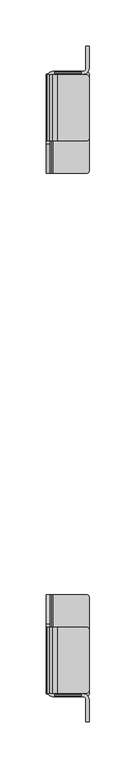
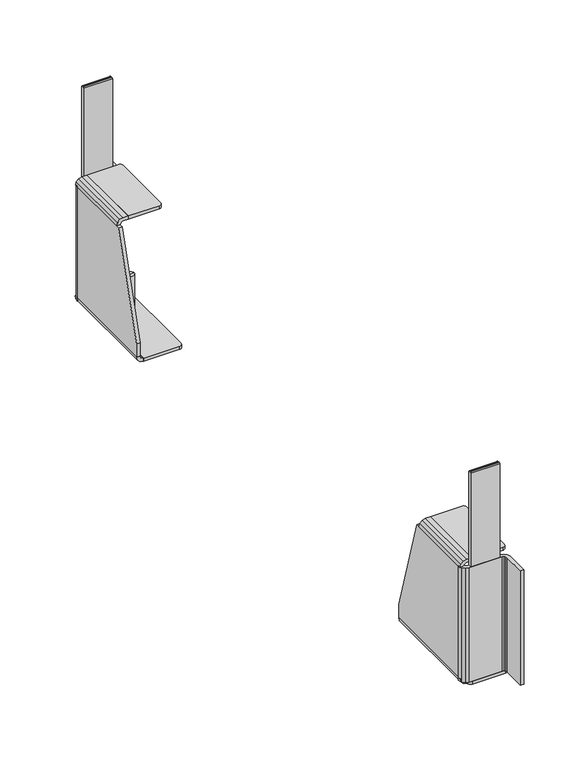
"""IFC4 building model written with IfcOpenShell, lengths in millimetres: furniture geometry."""

from ifc_helpers import new_model, si_unit, point, frame, frame_2d, origin, place, context, project, spatial, polyline, circle_curve, trimmed, segment, composite_curve, outline, extrude, source, transform, mapped, element, save
from ifc_brep_helpers import plane_surface, cylinder_surface, revolved_surface, advanced_brep


def furniture_0abc49c4(model_context):
    return source(origin(), model_context, "Body", "SolidModel", [
        advanced_brep(
        [(-12.9410863, 662.5415583, 7.8739999), (-12.9410863, 662.5415583, 60.1980016), (-20.9420877, 662.5415583, 60.1980016), (-20.9420877, 662.5415583, 7.8739999), (-4.241581, 662.5415583, 7.8739999), (-29.6415931, 662.5415583, 7.8739999), (-4.241581, 662.5415583, 2.6834552), (-29.6415931, 662.5415583, 2.6834552), (-16.941587, 662.5415583, 0.0), (-16.941587, 662.5415583, 60.1980016)],
        [
            (0, 1),
            (1, 2, circle_curve(frame((-16.941587, 662.5415583, 60.1980016), z_axis=(0.0, 0.0, -1.0), x_axis=(-1.0, 0.0, 0.0)), 4.0005007)),
            (2, 3),
            (3, 0, circle_curve(frame((-16.941587, 662.5415583, 7.8739999), z_axis=(0.0, 0.0, 1.0), x_axis=(-1.0, 0.0, 0.0)), 4.0005007)),
            (2, 1, circle_curve(frame((-16.941587, 662.5415583, 60.1980016), z_axis=(0.0, 0.0, -1.0), x_axis=(-1.0, 0.0, 0.0)), 4.0005007)),
            (0, 3, circle_curve(frame((-16.941587, 662.5415583, 7.8739999), z_axis=(0.0, 0.0, 1.0), x_axis=(-1.0, 0.0, 0.0)), 4.0005007)),
            (4, 0),
            (3, 5),
            (5, 4, circle_curve(frame((-16.941587, 662.5415583, 7.8739999), z_axis=(0.0, 0.0, 1.0), x_axis=(-1.0, 0.0, 0.0)), 12.7000061)),
            (4, 5, circle_curve(frame((-16.941587, 662.5415583, 7.8739999), z_axis=(0.0, 0.0, 1.0), x_axis=(-1.0, 0.0, 0.0)), 12.7000061)),
            (6, 4),
            (5, 7),
            (7, 6, circle_curve(frame((-16.941587, 662.5415583, 2.6834552), z_axis=(0.0, 0.0, 1.0), x_axis=(-1.0, 0.0, 0.0)), 12.7000061)),
            (6, 7, circle_curve(frame((-16.941587, 662.5415583, 2.6834552), z_axis=(0.0, 0.0, 1.0), x_axis=(-1.0, 0.0, 0.0)), 12.7000061)),
            (8, 6),
            (7, 8),
            (1, 9),
            (9, 2),
        ],
        [
            cylinder_surface(frame((-16.941587, 662.5415583, 60.1980016), z_axis=(0.0, 0.0, -1.0), x_axis=(-1.0, 0.0, 0.0)), 4.0005007),
            plane_surface(frame((-16.941587, 662.5415583, 7.8739999), z_axis=(0.0, 0.0, 1.0), x_axis=(-1.0, 0.0, 0.0))),
            cylinder_surface(frame((-16.941587, 662.5415583, 60.1980016), z_axis=(0.0, 0.0, -1.0), x_axis=(-1.0, 0.0, 0.0)), 12.7000061),
            revolved_surface(polyline([(-29.6415931, 662.5415583, 2.6834552), (-16.941587, 662.5415583, 0.0)]), (-16.941587, 662.5415583, 60.1980016), (0.0, 0.0, -1.0)),
            plane_surface(frame((-16.941587, 662.5415583, 60.1980016), z_axis=(0.0, 0.0, 1.0), x_axis=(-1.0, 0.0, 0.0))),
        ],
        [
            (0, [[1, 2, 3, 4]]),
            (0, [[-3, 5, -1, 6]]),
            (1, [[7, -4, 8, 9]]),
            (1, [[-8, -6, -7, 10]]),
            (2, [[11, -9, 12, 13]]),
            (2, [[-12, -10, -11, 14]]),
            (3, [[15, -13, 16]]),
            (3, [[-16, -14, -15]]),
            (4, [[17, 18, -2]]),
            (4, [[-18, -17, -5]]),
        ],
    ),
        extrude(outline(composite_curve([segment(polyline([(717.561337, 230.4538722), (717.561337, 131.8643803), (714.1453346, 131.8643803), (714.1453346, 230.4538722)]), True, "CONTINUOUS"), segment(trimmed(circle_curve(frame_2d((715.1613346, 230.4538722)), 1.016), [point((714.1453346, 230.4538722))], [point((715.1613346, 231.4698722))], False, "CARTESIAN"), True, "CONTINUOUS"), segment(polyline([(715.1613346, 231.4698722), (716.545337, 231.4698722)]), True, "CONTINUOUS"), segment(trimmed(circle_curve(frame_2d((716.545337, 230.4538722)), 1.016), [point((716.545337, 231.4698722))], [point((717.561337, 230.4538722))], False, "CARTESIAN"), True, "CONTINUOUS")], self_intersect=False)), frame((-33.2163122, 0.0, 0.0), z_axis=(1.0, 0.0, 0.0), x_axis=(0.0, 1.0, 0.0)), (0.0, 0.0, 1.0), 28.5999996),
        extrude(outline(polyline([(-41.8703125, 710.8453362), (-40.9872859, 714.2658351), (-38.5748105, 716.6783105), (-35.2793131, 717.561337), (-2.5533126, 717.561337), (-0.9658127, 717.9867062), (0.196318, 719.1488355), (0.6216873, 720.736334), (0.6216873, 744.1453362), (4.0376874, 744.1453362), (4.0376874, 720.736334), (3.1546608, 717.4408366), (0.7421873, 715.0283612), (-2.5533126, 714.1453346), (-35.2793131, 714.1453346), (-36.8668116, 713.7199654), (-38.0289431, 712.5578361), (-38.4543146, 710.8453362), (-41.8703125, 710.8453362)])), frame((0.0, 0.0, 11.1695001), z_axis=(0.0, 0.0, 1.0), x_axis=(1.0, 0.0, 0.0)), (0.0, 0.0, 1.0), 120.6948801),
        extrude(outline(polyline([(131.8643803, -38.4543146), (133.4518742, -38.0289454), (134.6140126, -36.8668093), (135.0393773, -35.2793131), (135.0393773, -30.5159002), (138.4553751, -30.5159002), (138.4553751, -35.2793131), (137.5723531, -38.5748105), (135.1598732, -40.9872859), (131.8643803, -41.8703125), (131.8643803, -38.4543146)])), frame((0.0, 642.5613319, 0.0), z_axis=(0.0, 1.0, 0.0), x_axis=(0.0, 0.0, 1.0)), (0.0, 0.0, 1.0), 71.084006),
        extrude(outline(composite_curve([segment(polyline([(-30.5159002, 642.5613319), (-30.5159002, 713.6453379), (0.8626874, 713.6453379)]), True, "CONTINUOUS"), segment(trimmed(circle_curve(frame_2d((0.8626874, 710.4703379)), 3.175), [point((0.8626874, 713.6453379))], [point((4.0376874, 710.4703379))], False, "CARTESIAN"), True, "CONTINUOUS"), segment(polyline([(4.0376874, 710.4703379), (4.0376874, 645.7363319)]), True, "CONTINUOUS"), segment(trimmed(circle_curve(frame_2d((0.8626874, 645.7363319)), 3.175), [point((4.0376874, 645.7363319))], [point((0.8626874, 642.5613319))], False, "CARTESIAN"), True, "CONTINUOUS"), segment(polyline([(0.8626874, 642.5613319), (-30.5159002, 642.5613319)]), True, "CONTINUOUS")], self_intersect=False)), frame((0.0, 0.0, 135.1598732), z_axis=(0.0, 0.0, 1.0), x_axis=(1.0, 0.0, 0.0)), (0.0, 0.0, 1.0), 3.295502),
        extrude(outline(polyline([(11.1695001, -35.2793131), (11.7153687, -36.8668116), (12.8774991, -38.0289431), (14.4649998, -38.4543146), (14.4649998, -41.8703125), (11.1695001, -40.9872859), (8.7570259, -38.5748105), (7.8739999, -35.2793131), (11.1695001, -35.2793131)])), frame((0.0, 607.5613335, 0.0), z_axis=(0.0, 1.0, 0.0), x_axis=(0.0, 0.0, 1.0)), (0.0, 0.0, 1.0), 106.8250036),
        extrude(outline(composite_curve([segment(polyline([(-35.2793131, 607.5613335), (-35.2793131, 714.386337)]), True, "CONTINUOUS"), segment(trimmed(circle_curve(frame_2d((-32.1043131, 714.386337)), 3.175), [point((-35.2793131, 714.386337))], [point((-32.1043131, 717.561337))], False, "CARTESIAN"), True, "CONTINUOUS"), segment(polyline([(-32.1043131, 717.561337), (0.8626874, 717.561337)]), True, "CONTINUOUS"), segment(trimmed(circle_curve(frame_2d((0.8626874, 714.386337)), 3.175), [point((0.8626874, 717.561337))], [point((4.0376874, 714.386337))], False, "CARTESIAN"), True, "CONTINUOUS"), segment(polyline([(4.0376874, 714.386337), (4.0376874, 610.7363335)]), True, "CONTINUOUS"), segment(trimmed(circle_curve(frame_2d((0.8626874, 610.7363335)), 3.175), [point((4.0376874, 610.7363335))], [point((0.8626874, 607.5613335))], False, "CARTESIAN"), True, "CONTINUOUS"), segment(polyline([(0.8626874, 607.5613335), (-35.2793131, 607.5613335)]), True, "CONTINUOUS")], self_intersect=False)), frame((0.0, 0.0, 7.8733776), z_axis=(0.0, 0.0, 1.0), x_axis=(1.0, 0.0, 0.0)), (0.0, 0.0, 1.0), 3.2961225),
        extrude(outline(polyline([(607.5613335, 14.4643776), (607.5613335, 28.593982), (638.9914463, 131.8643803), (710.8453362, 131.8643803), (710.9703376, 14.4643776), (607.5613335, 14.4643776)])), frame((-41.8703125, 0.0, 0.0), z_axis=(1.0, 0.0, 0.0), x_axis=(0.0, 1.0, 0.0)), (0.0, 0.0, 1.0), 3.4159979),
        advanced_brep(
        [(-12.9410863, 99.6025877, 7.8739999), (-20.9420877, 99.6025877, 7.8739999), (-20.9420877, 99.6025877, 60.1980016), (-12.9410863, 99.6025877, 60.1980016), (-4.241581, 99.6025877, 7.8739999), (-29.6415931, 99.6025877, 7.8739999), (-4.241581, 99.6025877, 2.6834552), (-29.6415931, 99.6025877, 2.6834552), (-16.941587, 99.6025877, 0.0), (-16.941587, 99.6025877, 60.1980016)],
        [
            (0, 1, circle_curve(frame((-16.941587, 99.6025877, 7.8739999), z_axis=(0.0, 0.0, 1.0), x_axis=(-1.0, 0.0, 0.0)), 4.0005007)),
            (1, 2),
            (2, 3, circle_curve(frame((-16.941587, 99.6025877, 60.1980016), z_axis=(0.0, 0.0, -1.0), x_axis=(-1.0, 0.0, 0.0)), 4.0005007)),
            (3, 0),
            (1, 0, circle_curve(frame((-16.941587, 99.6025877, 7.8739999), z_axis=(0.0, 0.0, 1.0), x_axis=(-1.0, 0.0, 0.0)), 4.0005007)),
            (3, 2, circle_curve(frame((-16.941587, 99.6025877, 60.1980016), z_axis=(0.0, 0.0, -1.0), x_axis=(-1.0, 0.0, 0.0)), 4.0005007)),
            (4, 5, circle_curve(frame((-16.941587, 99.6025877, 7.8739999), z_axis=(0.0, 0.0, 1.0), x_axis=(-1.0, 0.0, 0.0)), 12.7000061)),
            (5, 1),
            (0, 4),
            (5, 4, circle_curve(frame((-16.941587, 99.6025877, 7.8739999), z_axis=(0.0, 0.0, 1.0), x_axis=(-1.0, 0.0, 0.0)), 12.7000061)),
            (6, 7, circle_curve(frame((-16.941587, 99.6025877, 2.6834552), z_axis=(0.0, 0.0, 1.0), x_axis=(-1.0, 0.0, 0.0)), 12.7000061)),
            (7, 5),
            (4, 6),
            (7, 6, circle_curve(frame((-16.941587, 99.6025877, 2.6834552), z_axis=(0.0, 0.0, 1.0), x_axis=(-1.0, 0.0, 0.0)), 12.7000061)),
            (8, 7),
            (6, 8),
            (2, 9),
            (9, 3),
        ],
        [
            cylinder_surface(frame((-16.941587, 99.6025877, 60.1980016), z_axis=(0.0, 0.0, -1.0), x_axis=(-1.0, 0.0, 0.0)), 4.0005007),
            plane_surface(frame((-16.941587, 99.6025877, 7.8739999), z_axis=(0.0, 0.0, 1.0), x_axis=(-1.0, 0.0, 0.0))),
            cylinder_surface(frame((-16.941587, 99.6025877, 60.1980016), z_axis=(0.0, 0.0, -1.0), x_axis=(-1.0, 0.0, 0.0)), 12.7000061),
            revolved_surface(polyline([(-29.6415931, 99.6025877, 2.6834552), (-16.941587, 99.6025877, 0.0)]), (-16.941587, 99.6025877, 60.1980016), (0.0, 0.0, -1.0)),
            plane_surface(frame((-16.941587, 99.6025877, 60.1980016), z_axis=(0.0, 0.0, 1.0), x_axis=(-1.0, 0.0, 0.0))),
        ],
        [
            (0, [[1, 2, 3, 4]]),
            (0, [[5, -4, 6, -2]]),
            (1, [[7, 8, -1, 9]]),
            (1, [[10, -9, -5, -8]]),
            (2, [[11, 12, -7, 13]]),
            (2, [[14, -13, -10, -12]]),
            (3, [[15, -11, 16]]),
            (3, [[-16, -14, -15]]),
            (4, [[-3, 17, 18]]),
            (4, [[-6, -18, -17]]),
        ],
    ),
        extrude(outline(composite_curve([segment(trimmed(circle_curve(frame_2d((45.5988089, 230.4538722)), 1.016), [point((44.5828089, 230.4538722))], [point((45.5988089, 231.4698722))], False, "CARTESIAN"), True, "CONTINUOUS"), segment(polyline([(45.5988089, 231.4698722), (46.9828114, 231.4698722)]), True, "CONTINUOUS"), segment(trimmed(circle_curve(frame_2d((46.9828114, 230.4538722)), 1.016), [point((46.9828114, 231.4698722))], [point((47.9988114, 230.4538722))], False, "CARTESIAN"), True, "CONTINUOUS"), segment(polyline([(47.9988114, 230.4538722), (47.9988114, 131.8643803), (44.5828089, 131.8643803), (44.5828089, 230.4538722)]), True, "CONTINUOUS")], self_intersect=False)), frame((-33.2163122, 0.0, 0.0), z_axis=(1.0, 0.0, 0.0), x_axis=(0.0, 1.0, 0.0)), (0.0, 0.0, 1.0), 28.5999996),
        extrude(outline(polyline([(-41.8703125, 51.2988098), (-38.4543146, 51.2988098), (-38.0289431, 49.5863099), (-36.8668116, 48.4241806), (-35.2793131, 47.9988114), (-2.5533126, 47.9988114), (0.7421873, 47.1157848), (3.1546608, 44.7033094), (4.0376874, 41.407812), (4.0376874, 17.9988098), (0.6216873, 17.9988098), (0.6216873, 41.407812), (0.196318, 42.9953104), (-0.9658127, 44.1574397), (-2.5533126, 44.5828089), (-35.2793131, 44.5828089), (-38.5748105, 45.4658355), (-40.9872859, 47.8783109), (-41.8703125, 51.2988098)])), frame((0.0, 0.0, 11.1695001), z_axis=(0.0, 0.0, 1.0), x_axis=(1.0, 0.0, 0.0)), (0.0, 0.0, 1.0), 120.6948801),
        extrude(outline(polyline([(131.8643803, -38.4543146), (133.4518742, -38.0289454), (134.6140126, -36.8668093), (135.0393773, -35.2793131), (135.0393773, -30.5159002), (138.4553751, -30.5159002), (138.4553751, -35.2793131), (137.5723531, -38.5748105), (135.1598732, -40.9872859), (131.8643803, -41.8703125), (131.8643803, -38.4543146)])), frame((0.0, 48.4988081, 0.0), z_axis=(0.0, 1.0, 0.0), x_axis=(0.0, 0.0, 1.0)), (0.0, 0.0, 1.0), 71.084006),
        extrude(outline(composite_curve([segment(polyline([(-30.5159002, 119.582814), (0.8626874, 119.582814)]), True, "CONTINUOUS"), segment(trimmed(circle_curve(frame_2d((0.8626874, 116.407814)), 3.175), [point((0.8626874, 119.582814))], [point((4.0376874, 116.407814))], False, "CARTESIAN"), True, "CONTINUOUS"), segment(polyline([(4.0376874, 116.407814), (4.0376874, 51.6738081)]), True, "CONTINUOUS"), segment(trimmed(circle_curve(frame_2d((0.8626874, 51.6738081)), 3.175), [point((4.0376874, 51.6738081))], [point((0.8626874, 48.4988081))], False, "CARTESIAN"), True, "CONTINUOUS"), segment(polyline([(0.8626874, 48.4988081), (-30.5159002, 48.4988081), (-30.5159002, 119.582814)]), True, "CONTINUOUS")], self_intersect=False)), frame((0.0, 0.0, 135.1598732), z_axis=(0.0, 0.0, 1.0), x_axis=(1.0, 0.0, 0.0)), (0.0, 0.0, 1.0), 3.295502),
        extrude(outline(polyline([(11.1695001, -35.2793131), (11.7153687, -36.8668116), (12.8774991, -38.0289431), (14.4649998, -38.4543146), (14.4649998, -41.8703125), (11.1695001, -40.9872859), (8.7570259, -38.5748105), (7.8739999, -35.2793131), (11.1695001, -35.2793131)])), frame((0.0, 47.7578089, 0.0), z_axis=(0.0, 1.0, 0.0), x_axis=(0.0, 0.0, 1.0)), (0.0, 0.0, 1.0), 106.8250036),
        extrude(outline(composite_curve([segment(polyline([(-35.2793131, 154.5828125), (0.8626874, 154.5828125)]), True, "CONTINUOUS"), segment(trimmed(circle_curve(frame_2d((0.8626874, 151.4078125)), 3.175), [point((0.8626874, 154.5828125))], [point((4.0376874, 151.4078125))], False, "CARTESIAN"), True, "CONTINUOUS"), segment(polyline([(4.0376874, 151.4078125), (4.0376874, 47.7578089)]), True, "CONTINUOUS"), segment(trimmed(circle_curve(frame_2d((0.8626874, 47.7578089)), 3.175), [point((4.0376874, 47.7578089))], [point((0.8626874, 44.5828089))], False, "CARTESIAN"), True, "CONTINUOUS"), segment(polyline([(0.8626874, 44.5828089), (-32.1043131, 44.5828089)]), True, "CONTINUOUS"), segment(trimmed(circle_curve(frame_2d((-32.1043131, 47.7578089)), 3.175), [point((-32.1043131, 44.5828089))], [point((-35.2793131, 47.7578089))], False, "CARTESIAN"), True, "CONTINUOUS"), segment(polyline([(-35.2793131, 47.7578089), (-35.2793131, 154.5828125)]), True, "CONTINUOUS")], self_intersect=False)), frame((0.0, 0.0, 7.8733776), z_axis=(0.0, 0.0, 1.0), x_axis=(1.0, 0.0, 0.0)), (0.0, 0.0, 1.0), 3.2961225),
        extrude(outline(polyline([(154.5828125, 14.4643776), (51.1738083, 14.4643776), (51.2988098, 131.8643803), (123.1526997, 131.8643803), (154.5828125, 28.593982), (154.5828125, 14.4643776)])), frame((-41.8703125, 0.0, 0.0), z_axis=(1.0, 0.0, 0.0), x_axis=(0.0, 1.0, 0.0)), (0.0, 0.0, 1.0), 3.4159979),
    ])


if __name__ == "__main__":
    model = new_model("IFC4")
    model_context = context("Model", 3, world=origin())
    ifc_project = project(units=[si_unit("LENGTHUNIT", "METRE", prefix="MILLI")], contexts=[model_context])
    site = spatial("IfcSite", under=ifc_project)
    building = spatial("IfcBuilding", under=site)
    placement = place(None, origin())
    furniture_shape = furniture_0abc49c4(model_context)
    element("IfcFurniture", 1, at=placement, inside=building, context=model_context, shape_type="MappedRepresentation", body=[
        mapped(furniture_shape, transform((0.0, 0.0, 0.0), x_axis=(1.0, 0.0, 0.0), y_axis=(0.0, 1.0, 0.0), z_axis=(0.0, 0.0, 1.0))),
    ])
    save(model, "model.ifc")
